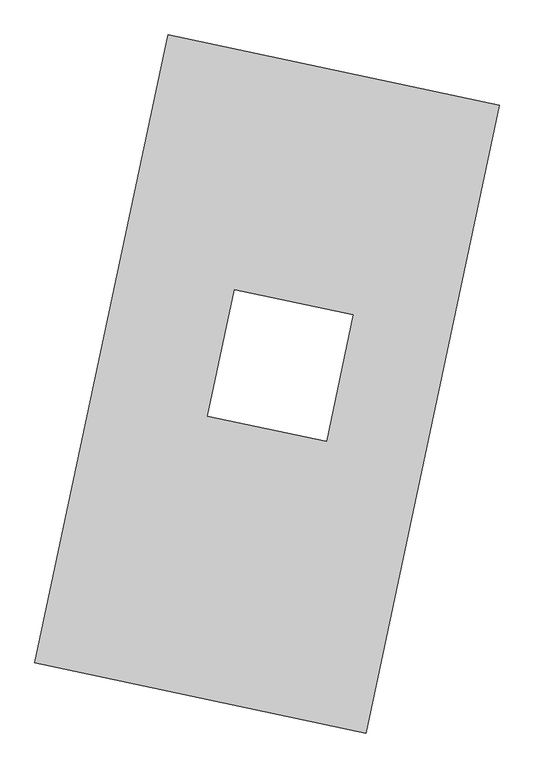
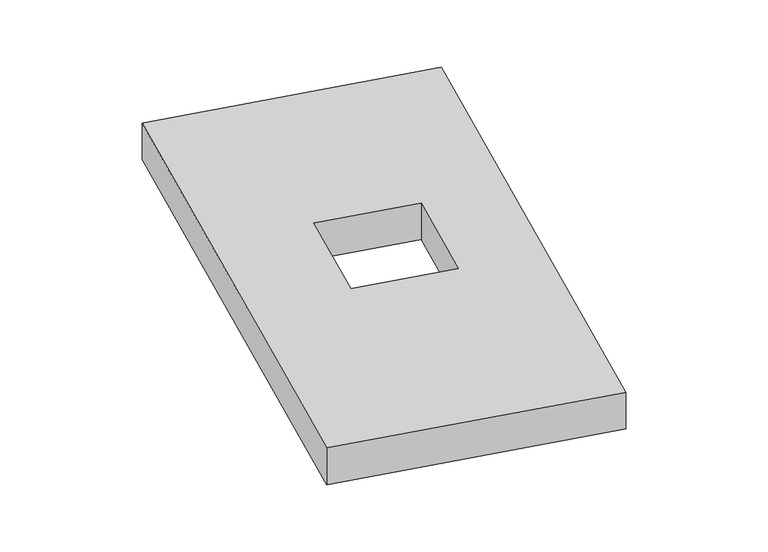
"""IFC4 building model written with IfcOpenShell, lengths in millimetres: proxy geometry."""

from ifc_helpers import new_model, si_unit, origin, origin_with_axes, place, context, project, spatial, polyline, outline, extrude, source, transform, mapped, element, save


def generic_models_ab066130(model_context):
    return source(origin(), model_context, "Body", "SweptSolid", [
        extrude(outline(polyline([(-617.3692021, 2175.5580432), (1447.7508745, 1737.3010494), (617.3692021, -2175.5580432), (-1447.7508745, -1737.3010494), (-617.3692021, 2175.5580432)]), holes=[polyline([(536.9592675, 430.2929168), (-203.8540518, 587.507319), (-370.9303203, -199.7763096), (369.8829991, -356.9907118), (536.9592675, 430.2929168)])]), origin_with_axes(), (0.0, 0.0, 1.0), 300.0),
    ])


if __name__ == "__main__":
    model = new_model("IFC4")
    model_context = context("Model", 3, world=origin())
    ifc_project = project(units=[si_unit("LENGTHUNIT", "METRE", prefix="MILLI")], contexts=[model_context])
    site = spatial("IfcSite", under=ifc_project)
    building = spatial("IfcBuilding", under=site)
    placement = place(None, origin())
    generic_models_shape = generic_models_ab066130(model_context)
    element("IfcBuildingElementProxy", 1, Name="Generic Models", at=placement, inside=building, context=model_context, shape_type="MappedRepresentation", body=[
        mapped(generic_models_shape, transform((0.0, 0.0, 0.0), x_axis=(1.0, 0.0, 0.0), y_axis=(0.0, 1.0, 0.0), z_axis=(0.0, 0.0, 1.0))),
    ])
    save(model, "model.ifc")
